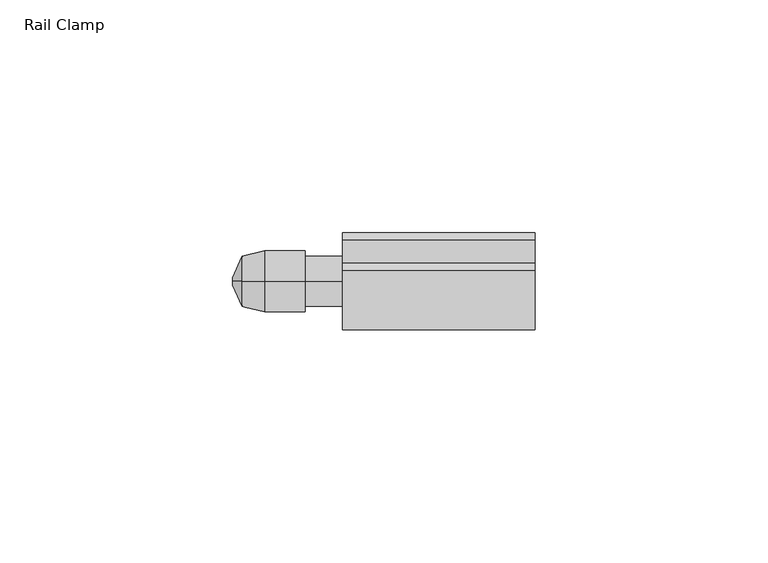
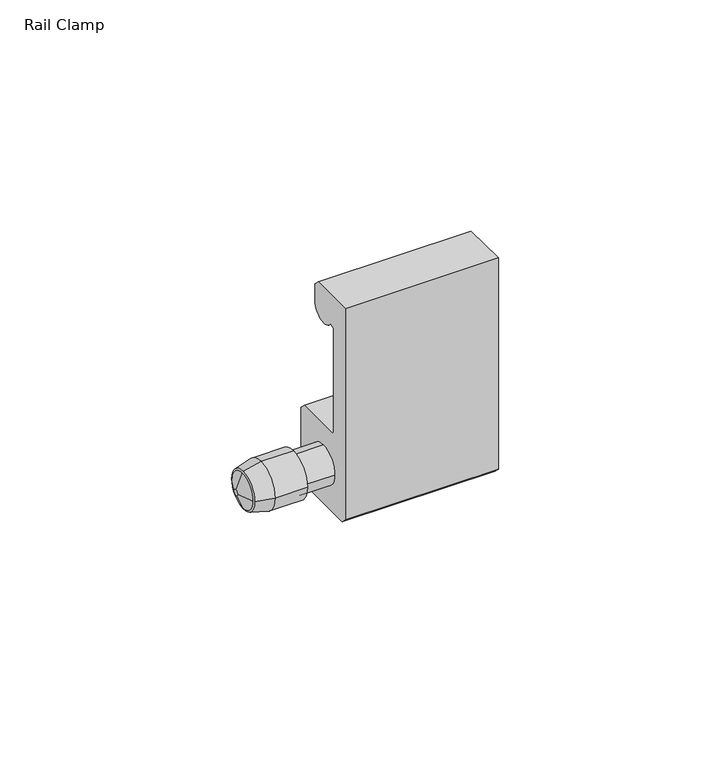
"""IFC4 building model written with IfcOpenShell, lengths in millimetres: furniture geometry, Rail Clamp."""

import ifcopenshell
import ifcopenshell.guid

model = None  # the IFC model being written
_history = None  # IfcOwnerHistory: only IFC2X3 demands one
_inside = {}  # id of a spatial element -> (the spatial element, [elements in it])
_under = {}  # id of a project, library or spatial element -> (it, [spatial elements below it])
_declared = {}  # id of a project -> (the project, [libraries it declares])
_typed = {}  # id of a type object -> (the type object, [elements of that type])
_made_of = {}  # id of a material, layer set ... -> (it, [elements and type objects made of it])


def new_model(schema):
    """Start an empty IFC model of exactly this schema.

    Asked for "IFC4X3", IfcOpenShell would pick the latest addendum, in which some entities
    have other attributes; the version numbers below select the first issue.
    IFC2X3 requires an IfcOwnerHistory on every rooted entity: one is made here for all.
    """
    global model, _history
    if schema == "IFC4X3":
        model = ifcopenshell.file(schema_version=(4, 3, 0, 0))
    else:
        model = ifcopenshell.file(schema=schema)
    _inside.clear()
    _under.clear()
    _declared.clear()
    _typed.clear()
    _made_of.clear()
    _history = None
    if model.schema == "IFC2X3":
        org = make("IfcOrganization", Name="unknown")
        user = make(
            "IfcPersonAndOrganization",
            ThePerson=make("IfcPerson", FamilyName="unknown"),
            TheOrganization=org,
        )
        app = make(
            "IfcApplication",
            ApplicationDeveloper=org,
            Version="unknown",
            ApplicationFullName="unknown",
            ApplicationIdentifier="unknown",
        )
        _history = make(
            "IfcOwnerHistory",
            OwningUser=user,
            OwningApplication=app,
            ChangeAction="ADDED",
            CreationDate=0,
        )
    return model


def make(cls, **values):
    """One entity of the class cls with the attributes given. An attribute that is None is left unset."""
    return model.create_entity(
        cls, **{name: value for name, value in values.items() if value is not None}
    )


def rooted(cls, **values):
    """An entity with a GlobalId (a new one), such as an element, a storey or a relation."""
    return make(cls, GlobalId=ifcopenshell.guid.new(), OwnerHistory=_history, **values)


def si_unit(unit_type, name, prefix=None):
    """IfcSIUnit, for example si_unit("LENGTHUNIT", "METRE", prefix="MILLI")."""
    return make("IfcSIUnit", UnitType=unit_type, Prefix=prefix, Name=name)


def assignment(units):
    """IfcUnitAssignment: the units of a project."""
    return None if units is None else make("IfcUnitAssignment", Units=units)


def point(xyz):
    """IfcCartesianPoint."""
    return None if xyz is None else make("IfcCartesianPoint", Coordinates=xyz)


def direction(xyz):
    """IfcDirection."""
    return None if xyz is None else make("IfcDirection", DirectionRatios=xyz)


def frame(location, z_axis=None, x_axis=None):
    """IfcAxis2Placement3D, a coordinate frame: its origin and axes. An axis left out is left unset."""
    return make(
        "IfcAxis2Placement3D",
        Location=point(location),
        Axis=direction(z_axis),
        RefDirection=direction(x_axis),
    )


def origin():
    """The frame at (0, 0, 0) with its axes left unset."""
    return frame((0.0, 0.0, 0.0))


def place(relative_to, where):
    """IfcLocalPlacement: puts the frame where relative to a parent placement (None: the world)."""
    return make(
        "IfcLocalPlacement", PlacementRelTo=relative_to, RelativePlacement=where
    )


def context(
    kind, dimensions, precision=None, world=None, true_north=None, identifier=None
):
    """IfcGeometricRepresentationContext, for example the 3D "Model" context."""
    return make(
        "IfcGeometricRepresentationContext",
        ContextIdentifier=identifier,
        ContextType=kind,
        CoordinateSpaceDimension=dimensions,
        Precision=precision,
        WorldCoordinateSystem=world,
        TrueNorth=true_north,
    )


def project(units=None, contexts=None):
    """IfcProject with its units and contexts."""
    return rooted(
        "IfcProject",
        Name="project",
        RepresentationContexts=contexts,
        UnitsInContext=assignment(units),
    )


def spatial(cls, under=None, at=None, **own):
    """A site, building, storey or space (cls), placed at a placement, below another one or the project."""
    s = rooted(cls, ObjectPlacement=at, **own)
    if under is not None:
        _under.setdefault(under.id(), (under, []))[1].append(s)
    return s


def polyline(points):
    """IfcPolyline through the points."""
    return make("IfcPolyline", Points=[point(p) for p in points])


def circle_curve(where, radius):
    """IfcCircle in the frame where."""
    return make("IfcCircle", Position=where, Radius=radius)


def shape(context_of_items, identifier, shape_type, items):
    """IfcShapeRepresentation: the items that make up one representation, for example the "Body"."""
    return make(
        "IfcShapeRepresentation",
        ContextOfItems=context_of_items,
        RepresentationIdentifier=identifier,
        RepresentationType=shape_type,
        Items=items,
    )


def source(mapping_origin, context_of_items, identifier, shape_type, items):
    """IfcRepresentationMap: a shape defined once, which mapped items show again and again."""
    return make(
        "IfcRepresentationMap",
        MappingOrigin=mapping_origin,
        MappedRepresentation=shape(context_of_items, identifier, shape_type, items),
    )


def transform(
    local_origin,
    x_axis=None,
    y_axis=None,
    z_axis=None,
    scale=None,
    scale2=None,
    scale3=None,
    uniform=True,
):
    """IfcCartesianTransformationOperator3D, or its non-uniform kind. x_axis, y_axis, z_axis: its Axis1, 2, 3."""
    if uniform:
        return make(
            "IfcCartesianTransformationOperator3D",
            Axis1=direction(x_axis),
            Axis2=direction(y_axis),
            LocalOrigin=point(local_origin),
            Scale=scale,
            Axis3=direction(z_axis),
        )
    return make(
        "IfcCartesianTransformationOperator3DnonUniform",
        Axis1=direction(x_axis),
        Axis2=direction(y_axis),
        LocalOrigin=point(local_origin),
        Scale=scale,
        Axis3=direction(z_axis),
        Scale2=scale2,
        Scale3=scale3,
    )


def mapped(mapping_source, mapping_target):
    """IfcMappedItem: shows the shape of a source again, moved by a transform."""
    return make(
        "IfcMappedItem", MappingSource=mapping_source, MappingTarget=mapping_target
    )


def made_of(thing, what):
    """Note that an element or type object is made of a material, layer set ...; save() writes the relation."""
    if what is not None:
        _made_of.setdefault(what.id(), (what, []))[1].append(thing)
    return thing


def element(
    cls,
    number,
    at=None,
    inside=None,
    cuts=None,
    type_object=None,
    material=None,
    context=None,
    identifier="Body",
    shape_type=None,
    held_by="IfcProductDefinitionShape",
    body=None,
    shapes=None,
    **own,
):
    """One element of the class cls, such as IfcWall. Its Tag is "e" and its number.

    at: its placement. inside: the storey or other place that contains it. cuts: it is an
    opening in that element (IfcRelVoidsElement). A single representation is given by context,
    identifier, shape_type and body (its items); several are given by shapes. held_by: the class
    of the entity that holds the representations. save() writes the other relations.
    """
    e = rooted(cls, Tag="e%d" % number, ObjectPlacement=at, **own)
    if body is not None:
        shapes = [shape(context, identifier, shape_type, body)]
    if shapes is not None:
        e.Representation = make(held_by, Representations=shapes)
    if inside is not None:
        _inside.setdefault(inside.id(), (inside, []))[1].append(e)
    if cuts is not None:
        rooted(
            "IfcRelVoidsElement", RelatingBuildingElement=cuts, RelatedOpeningElement=e
        )
    if type_object is not None:
        _typed.setdefault(type_object.id(), (type_object, []))[1].append(e)
    return made_of(e, material)


def aggregate(whole, parts):
    """IfcRelAggregates: a whole, such as a stair, and the parts it consists of."""
    return rooted("IfcRelAggregates", RelatingObject=whole, RelatedObjects=parts)


def save(model, path):
    """Write the relations noted so far, then the file.

    IfcRelAggregates (storeys below a building ...), IfcRelContainedInSpatialStructure (elements
    in a storey), IfcRelDefinesByType, IfcRelAssociatesMaterial and IfcRelDeclares: one each for
    every whole, place, type object, material and project.
    """
    for whole, parts in _under.values():
        aggregate(whole, parts)
    for where, things in _inside.values():
        rooted(
            "IfcRelContainedInSpatialStructure",
            RelatedElements=things,
            RelatingStructure=where,
        )
    for kind, things in _typed.values():
        rooted("IfcRelDefinesByType", RelatedObjects=things, RelatingType=kind)
    for what, things in _made_of.values():
        rooted("IfcRelAssociatesMaterial", RelatedObjects=things, RelatingMaterial=what)
    for by, libraries in _declared.values():
        rooted("IfcRelDeclares", RelatingContext=by, RelatedDefinitions=libraries)
    model.write(path)


def plane_surface(at):
    """IfcPlane: the flat surface through the origin of the frame at, square to its z axis."""
    return make("IfcPlane", Position=at)


def cylinder_surface(at, radius):
    """IfcCylindricalSurface: all points at the distance radius from the z axis of the frame at."""
    return make("IfcCylindricalSurface", Position=at, Radius=radius)


def revolved_surface(curve, axis_point, axis_direction):
    """IfcSurfaceOfRevolution: the curve turned about the line through axis_point along axis_direction."""
    return make(
        "IfcSurfaceOfRevolution",
        SweptCurve=make("IfcArbitraryOpenProfileDef", ProfileType="CURVE", Curve=curve),
        AxisPosition=make("IfcAxis1Placement", Location=point(axis_point), Axis=direction(axis_direction)),
    )


def advanced_brep(points, edges, surfaces, faces):
    """IfcAdvancedBrep: a solid bounded by faces that lie on surfaces and meet in shared edges.

    An edge is (start, end): straight between two places in points (the first is 0);
    or (start, end, curve); or (start, end, curve, False) where it runs against its curve.
    A face is (place in surfaces, loops), or (place, loops, False) where it looks against
    its surface's normal. A loop lists edges by number (the first is 1), with a minus sign
    where the edge is run from its end to its start. The first loop is the outer one.
    """
    corners = [point(p) for p in points]
    vertices = [make("IfcVertexPoint", VertexGeometry=c) for c in corners]
    made = []
    for start, end, *more in edges:
        made.append(
            make(
                "IfcEdgeCurve",
                EdgeStart=vertices[start],
                EdgeEnd=vertices[end],
                EdgeGeometry=more[0] if more else make("IfcPolyline", Points=[corners[start], corners[end]]),
                SameSense=more[1] if len(more) > 1 else True,
            )
        )
    hull = []
    for where, loops, *sense in faces:
        bounds = []
        for j, loop in enumerate(loops):
            ring = [make("IfcOrientedEdge", EdgeElement=made[abs(k) - 1], Orientation=k > 0) for k in loop]
            bounds.append(
                make(
                    "IfcFaceOuterBound" if j == 0 else "IfcFaceBound",
                    Bound=make("IfcEdgeLoop", EdgeList=ring),
                    Orientation=True,
                )
            )
        hull.append(make("IfcAdvancedFace", Bounds=bounds, FaceSurface=surfaces[where], SameSense=sense[0] if sense else True))
    return make("IfcAdvancedBrep", Outer=make("IfcClosedShell", CfsFaces=hull))


def rail_clamp_77da80a5(model_context):
    return source(origin(), model_context, "Body", "AdvancedBrep", [
        advanced_brep(
        [(-42.2627645, -46.5617724, 1359.6839835), (-42.2627645, -41.2023724, 1365.0433835), (-42.2627645, -35.8429724, 1359.6839835), (-42.2627645, -41.2023724, 1354.3245835), (-37.4502448, -47.7301724, 1359.6839835), (-37.4502448, -41.2023724, 1353.1561835), (-37.4502448, -34.6745724, 1359.6839835), (-37.4502448, -41.2023724, 1366.2117835)],
        [
            (0, 1, circle_curve(frame((-42.2627645, -41.2023724, 1359.6839835), z_axis=(-1.0, 0.0, 3.4876617028623538e-12), x_axis=(0.0, -1.0, 7.182660263663921e-12)), 5.3594)),
            (1, 2, circle_curve(frame((-42.2627645, -41.2023724, 1359.6839835), z_axis=(-1.0, -3.4103143667101647e-12, 0.0), x_axis=(0.0, -7.421599566788811e-12, 1.0)), 5.3594)),
            (2, 3, circle_curve(frame((-42.2627645, -41.2023724, 1359.6839835), z_axis=(-1.0, 0.0, 1.80008345954186e-12), x_axis=(0.0, 1.0, 7.182660263660593e-12)), 5.3594)),
            (3, 0, circle_curve(frame((-42.2627645, -41.2023724, 1359.6839835), z_axis=(-1.0, -1.7631676854692243e-12, 0.0), x_axis=(0.0, -7.226103773304011e-12, -1.0)), 5.3594)),
            (4, 5, circle_curve(frame((-37.4502448, -41.2023724, 1359.6839835), z_axis=(1.0, 1.7631676854692243e-12, 0.0), x_axis=(0.0, -7.226103773304011e-12, -1.0)), 6.5278)),
            (5, 6, circle_curve(frame((-37.4502448, -41.2023724, 1359.6839835), z_axis=(1.0, 0.0, -1.80008345954186e-12), x_axis=(0.0, 1.0, 7.182660263660593e-12)), 6.5278)),
            (6, 7, circle_curve(frame((-37.4502448, -41.2023724, 1359.6839835), z_axis=(1.0, 3.4103143667101647e-12, 0.0), x_axis=(0.0, -7.421599566788811e-12, 1.0)), 6.5278)),
            (7, 4, circle_curve(frame((-37.4502448, -41.2023724, 1359.6839835), z_axis=(1.0, 0.0, -3.4876617028623538e-12), x_axis=(0.0, -1.0, 7.182660263663921e-12)), 6.5278)),
            (4, 0),
            (3, 5),
            (2, 6),
            (1, 7),
        ],
        [
            plane_surface(frame((-42.2627645, -41.2023724, 1359.6839835), z_axis=(-1.0, 0.0, 0.0), x_axis=(0.0, 0.0, -1.0))),
            plane_surface(frame((-37.4502448, -41.2023724, 1359.6839835), z_axis=(1.0, 0.0, 0.0), x_axis=(0.0, 0.0, -1.0))),
            revolved_surface(polyline([(-42.26276450000945, -41.2023724, 1354.3245835097325), (-37.4502448, -41.2023724, 1353.1561835)]), (-64.3375829, -41.2023724, 1359.6839835), (1.0, 1.7631676854692243e-12, 0.0)),
            revolved_surface(polyline([(-42.2627645, -35.84297240973024, 1359.6839835), (-37.450244799988255, -34.674572399997146, 1359.6839835)]), (-64.3375829, -41.2023724, 1359.6839835), (1.0, 0.0, -1.80008345954186e-12)),
            revolved_surface(polyline([(-42.2627645, -41.2023724, 1365.0433834902697), (-37.45024479997774, -41.2023724, 1366.2117835000054)]), (-64.3375829, -41.2023724, 1359.6839835), (1.0, 3.4103143667101647e-12, 0.0)),
            revolved_surface(polyline([(-42.26276450001869, -46.56177239026523, 1359.6839835), (-37.4502448, -47.7301724, 1359.6839835)]), (-64.3375829, -41.2023724, 1359.6839835), (1.0, 0.0, -3.4876617028623538e-12)),
        ],
        [
            (0, [[1, 2, 3, 4]]),
            (1, [[5, 6, 7, 8]]),
            (2, [[-5, 9, -4, 10]]),
            (3, [[-6, -10, -3, 11]]),
            (4, [[-7, -11, -2, 12]]),
            (5, [[-8, -12, -1, -9]]),
        ],
    ),
        advanced_brep(
        [(-20.6375, -30.8010724, 1349.9896782), (-20.6375, -32.3758712, 1348.41488), (-20.6375, -50.0288731, 1348.41488), (-20.6375, -51.6036724, 1349.9896782), (-20.6375, -51.6036724, 1410.26388), (-20.6375, -38.9100224, 1410.26388), (-20.6375, -37.3352224, 1408.6890795), (-20.6375, -37.3352224, 1403.9392801), (-20.6375, -44.603154, 1401.7543141), (-20.6375, -46.0474222, 1401.3201222), (-20.6375, -46.0474222, 1371.5857119), (-20.6375, -45.4521097, 1370.9903994), (-20.6375, -32.3758724, 1370.9903994), (-20.6375, -30.8010724, 1369.4156), (-20.6375, -46.5617724, 1359.6839835), (-20.6375, -41.2023724, 1354.3245835), (-20.6375, -35.8429724, 1359.6839835), (-20.6375, -41.2023724, 1365.0433835), (20.6375, -30.8010724, 1349.9896782), (20.6375, -30.8010724, 1369.4156), (20.6375, -32.3758724, 1370.9903994), (20.6375, -45.4521097, 1370.9903994), (20.6375, -46.0474222, 1371.5857119), (20.6375, -46.0474222, 1401.3201222), (20.6375, -44.603154, 1401.7543141), (20.6375, -37.3352224, 1403.9392801), (20.6375, -37.3352224, 1408.6890795), (20.6375, -38.9100224, 1410.26388), (20.6375, -51.6036724, 1410.26388), (20.6375, -51.6036724, 1349.9896782), (20.6375, -50.0288731, 1348.41488), (20.6375, -32.3758712, 1348.41488), (-28.6997615, -46.5617724, 1359.6839835), (-28.6997615, -41.2023724, 1354.3245835), (-28.6997615, -35.8429724, 1359.6839835), (-28.6997615, -41.2023724, 1365.0433835), (-28.6997615, -47.7301724, 1359.6839835), (-28.6997615, -41.2023724, 1353.1561835), (-28.6997615, -34.6745724, 1359.6839835), (-28.6997615, -41.2023724, 1366.2117835), (-37.4502448, -47.7301724, 1359.6839835), (-37.4502448, -41.2023724, 1366.2117835), (-37.4502448, -34.6745724, 1359.6839835), (-37.4502448, -41.2023724, 1353.1561835)],
        [
            (0, 1),
            (1, 2),
            (2, 3),
            (3, 4),
            (4, 5),
            (5, 6),
            (6, 7),
            (7, 8, circle_curve(frame((-20.6375, -41.2976225, 1403.9392801), z_axis=(-1.0, 0.0, 0.0), x_axis=(0.0, 1.0, 0.0)), 3.9624001)),
            (8, 9),
            (9, 10),
            (10, 11),
            (11, 12),
            (12, 13),
            (13, 0),
            (14, 15, circle_curve(frame((-20.6375, -41.2023724, 1359.6839835), z_axis=(1.0, 0.0, 0.0), x_axis=(0.0, 1.0, 0.0)), 5.3594)),
            (15, 16, circle_curve(frame((-20.6375, -41.2023724, 1359.6839835), z_axis=(1.0, 0.0, 0.0), x_axis=(0.0, 1.0, 0.0)), 5.3594)),
            (16, 17, circle_curve(frame((-20.6375, -41.2023724, 1359.6839835), z_axis=(1.0, 0.0, 0.0), x_axis=(0.0, 1.0, 0.0)), 5.3594)),
            (17, 14, circle_curve(frame((-20.6375, -41.2023724, 1359.6839835), z_axis=(1.0, 0.0, 0.0), x_axis=(0.0, 1.0, 0.0)), 5.3594)),
            (18, 19),
            (19, 20),
            (20, 21),
            (21, 22),
            (22, 23),
            (23, 24),
            (24, 25, circle_curve(frame((20.6375, -41.2976225, 1403.9392801), z_axis=(1.0, 0.0, 0.0), x_axis=(0.0, 1.0, 0.0)), 3.9624001)),
            (25, 26),
            (26, 27),
            (27, 28),
            (28, 29),
            (29, 30),
            (30, 31),
            (31, 18),
            (0, 18),
            (31, 1),
            (30, 2),
            (29, 3),
            (28, 4),
            (27, 5),
            (26, 6),
            (25, 7),
            (24, 8),
            (23, 9),
            (22, 10),
            (21, 11),
            (20, 12),
            (19, 13),
            (14, 32),
            (32, 33, circle_curve(frame((-28.6997615, -41.2023724, 1359.6839835), z_axis=(1.0, 0.0, 0.0), x_axis=(0.0, 1.0, 0.0)), 5.3594)),
            (33, 15),
            (33, 34, circle_curve(frame((-28.6997615, -41.2023724, 1359.6839835), z_axis=(1.0, 0.0, 0.0), x_axis=(0.0, 1.0, 0.0)), 5.3594)),
            (34, 16),
            (34, 35, circle_curve(frame((-28.6997615, -41.2023724, 1359.6839835), z_axis=(1.0, 0.0, 0.0), x_axis=(0.0, 1.0, 0.0)), 5.3594)),
            (35, 17),
            (35, 32, circle_curve(frame((-28.6997615, -41.2023724, 1359.6839835), z_axis=(1.0, 0.0, 0.0), x_axis=(0.0, 1.0, 0.0)), 5.3594)),
            (36, 37, circle_curve(frame((-28.6997615, -41.2023724, 1359.6839835), z_axis=(1.0, 0.0, 0.0), x_axis=(0.0, 1.0, 0.0)), 6.5278)),
            (37, 38, circle_curve(frame((-28.6997615, -41.2023724, 1359.6839835), z_axis=(1.0, 0.0, 0.0), x_axis=(0.0, 1.0, 0.0)), 6.5278)),
            (38, 39, circle_curve(frame((-28.6997615, -41.2023724, 1359.6839835), z_axis=(1.0, 0.0, 0.0), x_axis=(0.0, 1.0, 0.0)), 6.5278)),
            (39, 36, circle_curve(frame((-28.6997615, -41.2023724, 1359.6839835), z_axis=(1.0, 0.0, 0.0), x_axis=(0.0, 1.0, 0.0)), 6.5278)),
            (40, 41, circle_curve(frame((-37.4502448, -41.2023724, 1359.6839835), z_axis=(-1.0, 0.0, 0.0), x_axis=(0.0, 1.0, 0.0)), 6.5278)),
            (41, 42, circle_curve(frame((-37.4502448, -41.2023724, 1359.6839835), z_axis=(-1.0, 0.0, 0.0), x_axis=(0.0, 1.0, 0.0)), 6.5278)),
            (42, 43, circle_curve(frame((-37.4502448, -41.2023724, 1359.6839835), z_axis=(-1.0, 0.0, 0.0), x_axis=(0.0, 1.0, 0.0)), 6.5278)),
            (43, 40, circle_curve(frame((-37.4502448, -41.2023724, 1359.6839835), z_axis=(-1.0, 0.0, 0.0), x_axis=(0.0, 1.0, 0.0)), 6.5278)),
            (36, 40),
            (43, 37),
            (42, 38),
            (41, 39),
        ],
        [
            plane_surface(frame((-20.6375, -41.2023724, 1410.26388), z_axis=(-1.0, 0.0, 0.0), x_axis=(0.0, 0.0, 1.0))),
            plane_surface(frame((20.6375, -41.2023724, 1410.26388), z_axis=(1.0, 0.0, 0.0), x_axis=(0.0, 0.0, 1.0))),
            plane_surface(frame((-20.6375, -30.8010724, 1349.9896782), z_axis=(0.0, 0.7071066537262837, -0.7071069086467884), x_axis=(1.0, 0.0, 0.0))),
            plane_surface(frame((-20.6375, -32.3758712, 1348.41488), z_axis=(0.0, 0.0, -1.0), x_axis=(1.0, 0.0, 0.0))),
            plane_surface(frame((-20.6375, -50.0288731, 1348.41488), z_axis=(0.0, -0.7071065262660429, -0.7071070361069604), x_axis=(1.0, 0.0, 0.0))),
            plane_surface(frame((-20.6375, -51.6036724, 1349.9896782), z_axis=(0.0, -1.0, 0.0), x_axis=(1.0, 0.0, 0.0))),
            plane_surface(frame((-20.6375, -51.6036724, 1410.26388), z_axis=(0.0, 0.0, 1.0), x_axis=(1.0, 0.0, 0.0))),
            plane_surface(frame((-20.6375, -38.9100224, 1410.26388), z_axis=(0.0, 0.7071069046636025, 0.707106657709471), x_axis=(1.0, 0.0, 0.0))),
            plane_surface(frame((-20.6375, -37.3352224, 1408.6890795), z_axis=(0.0, 1.0, 0.0), x_axis=(1.0, 0.0, 0.0))),
            cylinder_surface(frame((-20.6375, -41.2976225, 1403.9392801), z_axis=(-1.0, 0.0, 0.0), x_axis=(0.0, 1.0, 0.0)), 3.9624001),
            plane_surface(frame((-20.6375, -44.603154, 1401.7543141), z_axis=(0.0, 0.2879022867565173, -0.9576597899464967), x_axis=(1.0, 0.0, 0.0))),
            plane_surface(frame((-20.6375, -46.0474222, 1401.3201222), z_axis=(0.0, 1.0, 0.0), x_axis=(1.0, 0.0, 0.0))),
            plane_surface(frame((-20.6375, -46.0474222, 1371.5857119), z_axis=(0.0, 0.7071067811865476, 0.7071067811865476), x_axis=(1.0, 0.0, 0.0))),
            plane_surface(frame((-20.6375, -45.4521097, 1370.9903994), z_axis=(0.0, 0.0, 1.0), x_axis=(1.0, 0.0, 0.0))),
            plane_surface(frame((-20.6375, -32.3758724, 1370.9903994), z_axis=(0.0, 0.7071066537262837, 0.7071069086467885), x_axis=(1.0, 0.0, 0.0))),
            plane_surface(frame((-20.6375, -30.8010724, 1369.4156), z_axis=(0.0, 1.0, 0.0), x_axis=(1.0, 0.0, 0.0))),
            cylinder_surface(frame((-28.6997615, -41.2023724, 1359.6839835), z_axis=(1.0, 0.0, 0.0), x_axis=(0.0, 1.0, 0.0)), 5.3594),
            plane_surface(frame((-28.6997615, -34.6745724, 1359.6839835), z_axis=(1.0, 0.0, 0.0), x_axis=(0.0, 0.0, 1.0))),
            plane_surface(frame((-37.4502448, -34.6745724, 1359.6839835), z_axis=(-1.0, 0.0, 0.0), x_axis=(0.0, 0.0, -1.0))),
            cylinder_surface(frame((-37.4502448, -41.2023724, 1359.6839835), z_axis=(1.0, 0.0, 0.0), x_axis=(0.0, 1.0, 0.0)), 6.5278),
        ],
        [
            (0, [[1, 2, 3, 4, 5, 6, 7, 8, 9, 10, 11, 12, 13, 14], [15, 16, 17, 18]]),
            (1, [[19, 20, 21, 22, 23, 24, 25, 26, 27, 28, 29, 30, 31, 32]]),
            (2, [[-1, 33, -32, 34]]),
            (3, [[-2, -34, -31, 35]]),
            (4, [[-3, -35, -30, 36]]),
            (5, [[-4, -36, -29, 37]]),
            (6, [[-5, -37, -28, 38]]),
            (7, [[-6, -38, -27, 39]]),
            (8, [[-7, -39, -26, 40]]),
            (9, [[-8, -40, -25, 41]]),
            (10, [[-9, -41, -24, 42]]),
            (11, [[-10, -42, -23, 43]]),
            (12, [[-11, -43, -22, 44]]),
            (13, [[-12, -44, -21, 45]]),
            (14, [[-13, -45, -20, 46]]),
            (15, [[-14, -46, -19, -33]]),
            (16, [[47, 48, 49, -15]]),
            (16, [[-49, 50, 51, -16]]),
            (16, [[-51, 52, 53, -17]]),
            (16, [[-47, -18, -53, 54]]),
            (17, [[55, 56, 57, 58], [-48, -54, -52, -50]]),
            (18, [[59, 60, 61, 62]]),
            (19, [[-55, 63, -62, 64]]),
            (19, [[-56, -64, -61, 65]]),
            (19, [[-57, -65, -60, 66]]),
            (19, [[-58, -66, -59, -63]]),
        ],
    ),
        advanced_brep(
        [(-44.2561748, -41.9961224, 1359.6839835), (-44.2561748, -41.2023724, 1360.4777335), (-44.2561748, -40.4086224, 1359.6839835), (-44.2561748, -41.2023724, 1358.8902335), (-42.2627645, -46.5617724, 1359.6839835), (-42.2627645, -41.2023724, 1354.3245835), (-42.2627645, -35.8429724, 1359.6839835), (-42.2627645, -41.2023724, 1365.0433835)],
        [
            (0, 1, circle_curve(frame((-44.2561748, -41.2023724, 1359.6839835), z_axis=(-1.0, 0.0, 0.0), x_axis=(0.0, -1.0, 0.0)), 0.79375)),
            (1, 2, circle_curve(frame((-44.2561748, -41.2023724, 1359.6839835), z_axis=(-1.0, 0.0, 0.0), x_axis=(0.0, 0.0, 1.0)), 0.79375)),
            (2, 3, circle_curve(frame((-44.2561748, -41.2023724, 1359.6839835), z_axis=(-1.0, 0.0, 4.209981380639452e-12), x_axis=(0.0, 1.0, 1.8381216808259094e-12)), 0.79375)),
            (3, 0, circle_curve(frame((-44.2561748, -41.2023724, 1359.6839835), z_axis=(-1.0, -4.205737447796065e-12, 0.0), x_axis=(0.0, -1.8307098998557235e-12, -1.0)), 0.79375)),
            (4, 5, circle_curve(frame((-42.2627645, -41.2023724, 1359.6839835), z_axis=(1.0, 4.205737447796065e-12, 0.0), x_axis=(0.0, -1.8307098998557235e-12, -1.0)), 5.3594)),
            (5, 6, circle_curve(frame((-42.2627645, -41.2023724, 1359.6839835), z_axis=(1.0, 0.0, -4.209981380639452e-12), x_axis=(0.0, 1.0, 1.8381216808259094e-12)), 5.3594)),
            (6, 7, circle_curve(frame((-42.2627645, -41.2023724, 1359.6839835), z_axis=(1.0, 0.0, 0.0), x_axis=(0.0, 0.0, 1.0)), 5.3594)),
            (7, 4, circle_curve(frame((-42.2627645, -41.2023724, 1359.6839835), z_axis=(1.0, 0.0, 0.0), x_axis=(0.0, -1.0, 0.0)), 5.3594)),
            (0, 4),
            (7, 1),
            (6, 2),
            (5, 3),
        ],
        [
            plane_surface(frame((-44.2561748, -41.2023724, 1359.6839835), z_axis=(-1.0, 0.0, 0.0), x_axis=(0.0, -1.0, 0.0))),
            plane_surface(frame((-42.2627645, -41.2023724, 1359.6839835), z_axis=(1.0, 0.0, 0.0), x_axis=(0.0, -1.0, 0.0))),
            revolved_surface(polyline([(-44.2561748, -41.99612238100404, 1359.6839835), (-42.2627645, -46.5617724, 1359.6839835)]), (-44.6027343, -41.2023724, 1359.6839835), (1.0, 0.0, 0.0)),
            revolved_surface(polyline([(-44.2561748, -41.2023724, 1360.4777334810042), (-42.2627645, -41.2023724, 1365.0433835)]), (-44.6027343, -41.2023724, 1359.6839835), (1.0, 0.0, 0.0)),
            revolved_surface(polyline([(-44.2561748, -40.40862241899596, 1359.6839835), (-42.26276449997744, -35.84297239994832, 1359.6839835)]), (-44.6027343, -41.2023724, 1359.6839835), (1.0, 0.0, -4.209981380639452e-12)),
            revolved_surface(polyline([(-44.256174800003336, -41.2023724, 1358.8902335190037), (-42.2627645, -41.2023724, 1354.3245835)]), (-44.6027343, -41.2023724, 1359.6839835), (1.0, 4.205737447796065e-12, 0.0)),
        ],
        [
            (0, [[1, 2, 3, 4]]),
            (1, [[5, 6, 7, 8]]),
            (2, [[-1, 9, -8, 10]]),
            (3, [[-2, -10, -7, 11]]),
            (4, [[-3, -11, -6, 12]]),
            (5, [[-4, -12, -5, -9]]),
        ],
    ),
    ])


if __name__ == "__main__":
    model = new_model("IFC4")
    model_context = context("Model", 3, world=origin())
    ifc_project = project(units=[si_unit("LENGTHUNIT", "METRE", prefix="MILLI")], contexts=[model_context])
    site = spatial("IfcSite", under=ifc_project)
    building = spatial("IfcBuilding", under=site)
    placement = place(None, origin())
    rail_clamp_shape = rail_clamp_77da80a5(model_context)
    element("IfcFurniture", 1, ObjectType="Rail Clamp", at=placement, inside=building, context=model_context, shape_type="MappedRepresentation", body=[
        mapped(rail_clamp_shape, transform((0.0, 0.0, 0.0), x_axis=(1.0, 0.0, 0.0), y_axis=(0.0, 1.0, 0.0), z_axis=(0.0, 0.0, 1.0))),
    ])
    save(model, "model.ifc")
